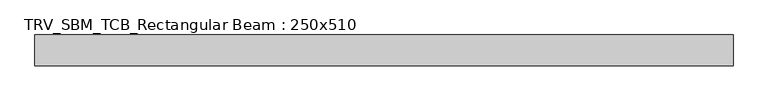
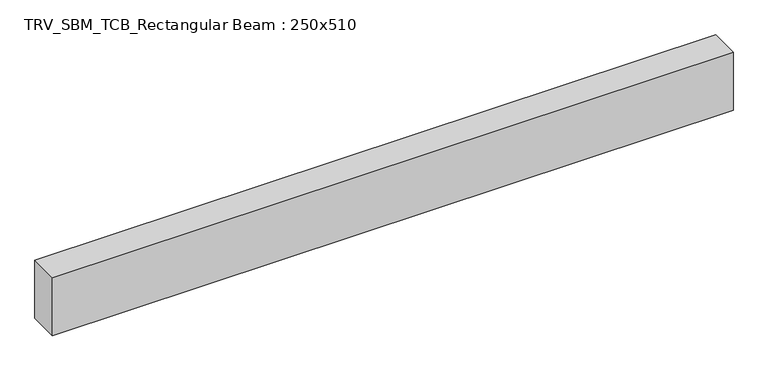
"""IFC4 building model written with IfcOpenShell, lengths in millimetres: beam geometry, TRV_SBM_TCB_Rectangular Beam : 250x510."""

from ifc_helpers import new_model, si_unit, frame, origin, place, context, project, spatial, polyline, outline, extrude, source, transform, mapped, element, save


def trv_sbm_tcb_rectangular_beam_250x510_e6956a3a(model_context):
    return source(origin(), model_context, "Body", "SweptSolid", [
        extrude(outline(polyline([(2827.7, 125.0), (2827.7, -125.0), (-2827.7, -125.0), (-2827.7, 125.0), (2827.7, 125.0)])), frame((0.0, 0.0, -255.0), z_axis=(0.0, 0.0, 1.0), x_axis=(1.0, 0.0, 0.0)), (0.0, 0.0, 1.0), 510.0),
    ])


if __name__ == "__main__":
    model = new_model("IFC4")
    model_context = context("Model", 3, world=origin())
    ifc_project = project(units=[si_unit("LENGTHUNIT", "METRE", prefix="MILLI")], contexts=[model_context])
    site = spatial("IfcSite", under=ifc_project)
    building = spatial("IfcBuilding", under=site)
    placement = place(None, origin())
    trv_sbm_tcb_rectangular_beam_250x510_shape = trv_sbm_tcb_rectangular_beam_250x510_e6956a3a(model_context)
    element("IfcBeam", 1, ObjectType="TRV_SBM_TCB_Rectangular Beam : 250x510", at=placement, inside=building, context=model_context, shape_type="MappedRepresentation", body=[
        mapped(trv_sbm_tcb_rectangular_beam_250x510_shape, transform((0.0, 0.0, 0.0), x_axis=(1.0, 0.0, 0.0), y_axis=(0.0, 1.0, 0.0), z_axis=(0.0, 0.0, 1.0))),
    ])
    save(model, "model.ifc")
